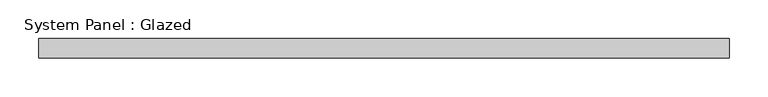
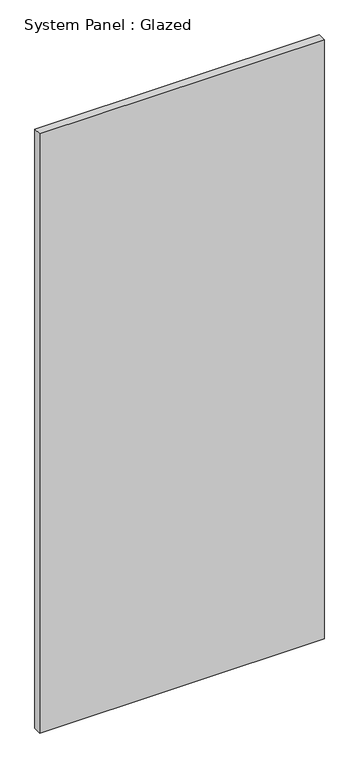
"""IFC4 building model written with IfcOpenShell, lengths in millimetres: plate geometry, System Panel : Glazed."""

from ifc_helpers import new_model, si_unit, origin, origin_with_axes, place, context, project, spatial, polyline, outline, extrude, source, transform, mapped, element, save


def system_panel_glazed_f096c116(model_context):
    return source(origin(), model_context, "Body", "SweptSolid", [
        extrude(outline(polyline([(446.5, 19.05), (-446.5, 19.05), (-446.5, 44.45), (446.5, 44.45), (446.5, 19.05)])), origin_with_axes(), (0.0, 0.0, 1.0), 1989.2),
    ])


if __name__ == "__main__":
    model = new_model("IFC4")
    model_context = context("Model", 3, world=origin())
    ifc_project = project(units=[si_unit("LENGTHUNIT", "METRE", prefix="MILLI")], contexts=[model_context])
    site = spatial("IfcSite", under=ifc_project)
    building = spatial("IfcBuilding", under=site)
    placement = place(None, origin())
    system_panel_glazed_shape = system_panel_glazed_f096c116(model_context)
    element("IfcPlate", 1, ObjectType="System Panel : Glazed", at=placement, inside=building, context=model_context, shape_type="MappedRepresentation", body=[
        mapped(system_panel_glazed_shape, transform((0.0, 0.0, 0.0), x_axis=(1.0, 0.0, 0.0), y_axis=(0.0, 1.0, 0.0), z_axis=(0.0, 0.0, 1.0))),
    ])
    save(model, "model.ifc")
